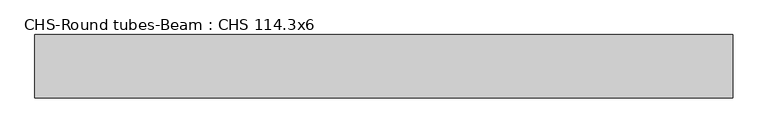
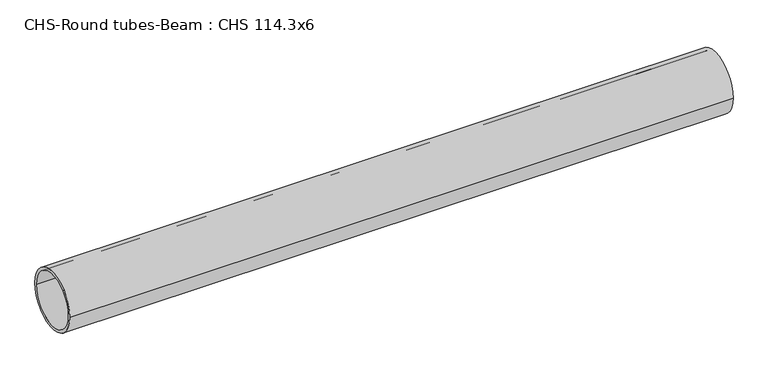
"""IFC4 building model written with IfcOpenShell, lengths in millimetres: beam geometry, CHS-Round tubes-Beam : CHS 114.3x6."""

from ifc_helpers import new_model, si_unit, point, frame, origin, origin_2d, place, context, project, spatial, circle_curve, trimmed, segment, composite_curve, outline, extrude, source, transform, mapped, element, save


def chs_round_tubes_beam_chs_114_3x6_c8ba4e0f(model_context):
    return source(origin(), model_context, "Body", "SweptSolid", [
        extrude(outline(composite_curve([segment(trimmed(circle_curve(origin_2d(), 57.15), [point((57.15, 0.0))], [point((-57.15, 0.0))], False, "CARTESIAN"), True, "CONTINUOUS"), segment(trimmed(circle_curve(origin_2d(), 57.15), [point((-57.15, 0.0))], [point((57.15, 0.0))], False, "CARTESIAN"), True, "CONTINUOUS")], self_intersect=False), holes=[composite_curve([segment(trimmed(circle_curve(origin_2d(), 51.15), [point((51.15, 0.0))], [point((-51.15, 0.0))], True, "CARTESIAN"), True, "CONTINUOUS"), segment(trimmed(circle_curve(origin_2d(), 51.15), [point((-51.15, 0.0))], [point((51.15, 0.0))], True, "CARTESIAN"), True, "CONTINUOUS")], self_intersect=False)]), frame((-627.6392745, 0.0, 0.0), z_axis=(1.0, 0.0, 0.0), x_axis=(0.0, 1.0, 0.0)), (0.0, 0.0, 1.0), 1255.2781401),
    ])


if __name__ == "__main__":
    model = new_model("IFC4")
    model_context = context("Model", 3, world=origin())
    ifc_project = project(units=[si_unit("LENGTHUNIT", "METRE", prefix="MILLI")], contexts=[model_context])
    site = spatial("IfcSite", under=ifc_project)
    building = spatial("IfcBuilding", under=site)
    placement = place(None, origin())
    chs_round_tubes_beam_chs_114_3x6_shape = chs_round_tubes_beam_chs_114_3x6_c8ba4e0f(model_context)
    element("IfcBeam", 1, ObjectType="CHS-Round tubes-Beam : CHS 114.3x6", at=placement, inside=building, context=model_context, shape_type="MappedRepresentation", body=[
        mapped(chs_round_tubes_beam_chs_114_3x6_shape, transform((0.0, 0.0, 0.0), x_axis=(1.0, 0.0, 0.0), y_axis=(0.0, 1.0, 0.0), z_axis=(0.0, 0.0, 1.0))),
    ])
    save(model, "model.ifc")
